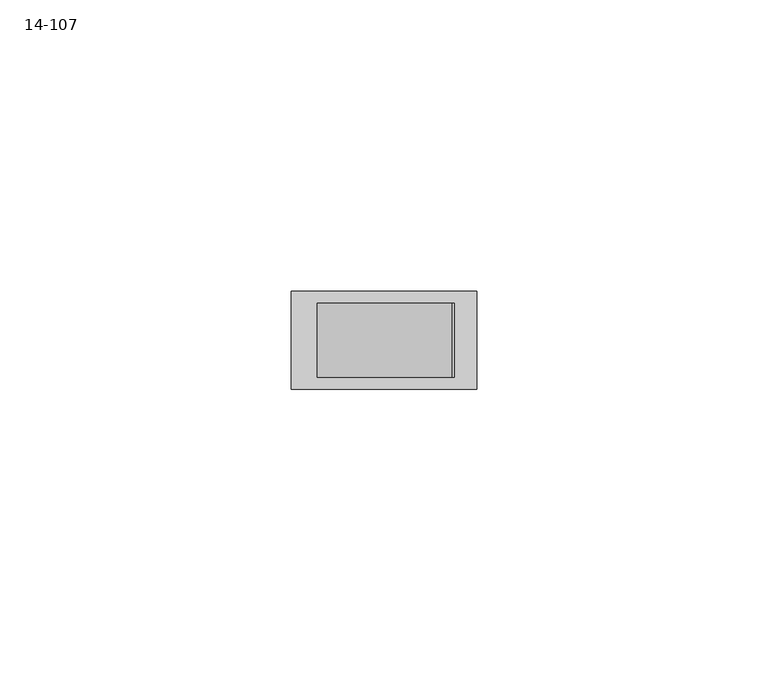
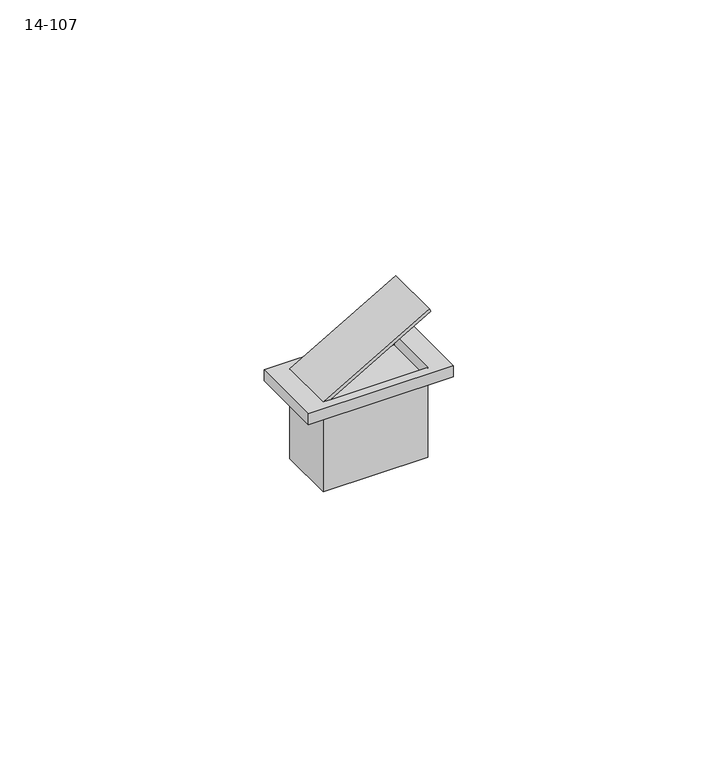
"""IFC4 building model written with IfcOpenShell, lengths in millimetres: proxy geometry, 14-107."""

import ifcopenshell
import ifcopenshell.guid

model = None  # the IFC model being written
_history = None  # IfcOwnerHistory: only IFC2X3 demands one
_inside = {}  # id of a spatial element -> (the spatial element, [elements in it])
_under = {}  # id of a project, library or spatial element -> (it, [spatial elements below it])
_declared = {}  # id of a project -> (the project, [libraries it declares])
_typed = {}  # id of a type object -> (the type object, [elements of that type])
_made_of = {}  # id of a material, layer set ... -> (it, [elements and type objects made of it])


def new_model(schema):
    """Start an empty IFC model of exactly this schema.

    Asked for "IFC4X3", IfcOpenShell would pick the latest addendum, in which some entities
    have other attributes; the version numbers below select the first issue.
    IFC2X3 requires an IfcOwnerHistory on every rooted entity: one is made here for all.
    """
    global model, _history
    if schema == "IFC4X3":
        model = ifcopenshell.file(schema_version=(4, 3, 0, 0))
    else:
        model = ifcopenshell.file(schema=schema)
    _inside.clear()
    _under.clear()
    _declared.clear()
    _typed.clear()
    _made_of.clear()
    _history = None
    if model.schema == "IFC2X3":
        org = make("IfcOrganization", Name="unknown")
        user = make(
            "IfcPersonAndOrganization",
            ThePerson=make("IfcPerson", FamilyName="unknown"),
            TheOrganization=org,
        )
        app = make(
            "IfcApplication",
            ApplicationDeveloper=org,
            Version="unknown",
            ApplicationFullName="unknown",
            ApplicationIdentifier="unknown",
        )
        _history = make(
            "IfcOwnerHistory",
            OwningUser=user,
            OwningApplication=app,
            ChangeAction="ADDED",
            CreationDate=0,
        )
    return model


def make(cls, **values):
    """One entity of the class cls with the attributes given. An attribute that is None is left unset."""
    return model.create_entity(
        cls, **{name: value for name, value in values.items() if value is not None}
    )


def rooted(cls, **values):
    """An entity with a GlobalId (a new one), such as an element, a storey or a relation."""
    return make(cls, GlobalId=ifcopenshell.guid.new(), OwnerHistory=_history, **values)


def si_unit(unit_type, name, prefix=None):
    """IfcSIUnit, for example si_unit("LENGTHUNIT", "METRE", prefix="MILLI")."""
    return make("IfcSIUnit", UnitType=unit_type, Prefix=prefix, Name=name)


def assignment(units):
    """IfcUnitAssignment: the units of a project."""
    return None if units is None else make("IfcUnitAssignment", Units=units)


def point(xyz):
    """IfcCartesianPoint."""
    return None if xyz is None else make("IfcCartesianPoint", Coordinates=xyz)


def direction(xyz):
    """IfcDirection."""
    return None if xyz is None else make("IfcDirection", DirectionRatios=xyz)


def frame(location, z_axis=None, x_axis=None):
    """IfcAxis2Placement3D, a coordinate frame: its origin and axes. An axis left out is left unset."""
    return make(
        "IfcAxis2Placement3D",
        Location=point(location),
        Axis=direction(z_axis),
        RefDirection=direction(x_axis),
    )


def origin():
    """The frame at (0, 0, 0) with its axes left unset."""
    return frame((0.0, 0.0, 0.0))


def origin_with_axes():
    """The frame at (0, 0, 0) with the z axis (0, 0, 1) and the x axis (1, 0, 0) written out."""
    return frame((0.0, 0.0, 0.0), z_axis=(0.0, 0.0, 1.0), x_axis=(1.0, 0.0, 0.0))


def place(relative_to, where):
    """IfcLocalPlacement: puts the frame where relative to a parent placement (None: the world)."""
    return make(
        "IfcLocalPlacement", PlacementRelTo=relative_to, RelativePlacement=where
    )


def context(
    kind, dimensions, precision=None, world=None, true_north=None, identifier=None
):
    """IfcGeometricRepresentationContext, for example the 3D "Model" context."""
    return make(
        "IfcGeometricRepresentationContext",
        ContextIdentifier=identifier,
        ContextType=kind,
        CoordinateSpaceDimension=dimensions,
        Precision=precision,
        WorldCoordinateSystem=world,
        TrueNorth=true_north,
    )


def project(units=None, contexts=None):
    """IfcProject with its units and contexts."""
    return rooted(
        "IfcProject",
        Name="project",
        RepresentationContexts=contexts,
        UnitsInContext=assignment(units),
    )


def spatial(cls, under=None, at=None, **own):
    """A site, building, storey or space (cls), placed at a placement, below another one or the project."""
    s = rooted(cls, ObjectPlacement=at, **own)
    if under is not None:
        _under.setdefault(under.id(), (under, []))[1].append(s)
    return s


def polyline(points):
    """IfcPolyline through the points."""
    return make("IfcPolyline", Points=[point(p) for p in points])


def outline(outer, holes=None, kind="AREA"):
    """IfcArbitraryClosedProfileDef: a profile drawn as a closed curve; with holes, ...WithVoids."""
    if holes is None:
        return make("IfcArbitraryClosedProfileDef", ProfileType=kind, OuterCurve=outer)
    return make(
        "IfcArbitraryProfileDefWithVoids",
        ProfileType=kind,
        OuterCurve=outer,
        InnerCurves=holes,
    )


def extrude(swept, where, along, depth):
    """IfcExtrudedAreaSolid: the profile swept, set in the frame where, extruded along a direction by depth."""
    return make(
        "IfcExtrudedAreaSolid",
        SweptArea=swept,
        Position=where,
        ExtrudedDirection=direction(along),
        Depth=depth,
    )


def faces_of(points, faces, orient=None, outer=None):
    """IfcFace entities. A face is a list of loops; a loop is a list of indices into points, from 0.

    orient and outer hold one flag for each loop. By default every Orientation is true, the
    first loop of a face is its IfcFaceOuterBound and the others are IfcFaceBound.
    """
    made = []
    for i, loops in enumerate(faces):
        bounds = []
        for j, loop in enumerate(loops):
            is_outer = j == 0 if outer is None else outer[i][j]
            bounds.append(
                make(
                    "IfcFaceOuterBound" if is_outer else "IfcFaceBound",
                    Bound=make("IfcPolyLoop", Polygon=[points[k] for k in loop]),
                    Orientation=True if orient is None else orient[i][j],
                )
            )
        made.append(make("IfcFace", Bounds=bounds))
    return made


def faceted_brep(points, faces, orient=None, outer=None, voids=None):
    """IfcFacetedBrep: a solid bounded by flat faces; with voids (closed shells), ...WithVoids."""
    shared = [point(p) for p in points]
    hull = make("IfcClosedShell", CfsFaces=faces_of(shared, faces, orient, outer))
    if voids is None:
        return make("IfcFacetedBrep", Outer=hull)
    return make(
        "IfcFacetedBrepWithVoids",
        Outer=hull,
        Voids=[
            make(cls, CfsFaces=faces_of(shared, fs, o, b)) for cls, fs, o, b in voids
        ],
    )


def shape(context_of_items, identifier, shape_type, items):
    """IfcShapeRepresentation: the items that make up one representation, for example the "Body"."""
    return make(
        "IfcShapeRepresentation",
        ContextOfItems=context_of_items,
        RepresentationIdentifier=identifier,
        RepresentationType=shape_type,
        Items=items,
    )


def source(mapping_origin, context_of_items, identifier, shape_type, items):
    """IfcRepresentationMap: a shape defined once, which mapped items show again and again."""
    return make(
        "IfcRepresentationMap",
        MappingOrigin=mapping_origin,
        MappedRepresentation=shape(context_of_items, identifier, shape_type, items),
    )


def transform(
    local_origin,
    x_axis=None,
    y_axis=None,
    z_axis=None,
    scale=None,
    scale2=None,
    scale3=None,
    uniform=True,
):
    """IfcCartesianTransformationOperator3D, or its non-uniform kind. x_axis, y_axis, z_axis: its Axis1, 2, 3."""
    if uniform:
        return make(
            "IfcCartesianTransformationOperator3D",
            Axis1=direction(x_axis),
            Axis2=direction(y_axis),
            LocalOrigin=point(local_origin),
            Scale=scale,
            Axis3=direction(z_axis),
        )
    return make(
        "IfcCartesianTransformationOperator3DnonUniform",
        Axis1=direction(x_axis),
        Axis2=direction(y_axis),
        LocalOrigin=point(local_origin),
        Scale=scale,
        Axis3=direction(z_axis),
        Scale2=scale2,
        Scale3=scale3,
    )


def mapped(mapping_source, mapping_target):
    """IfcMappedItem: shows the shape of a source again, moved by a transform."""
    return make(
        "IfcMappedItem", MappingSource=mapping_source, MappingTarget=mapping_target
    )


def made_of(thing, what):
    """Note that an element or type object is made of a material, layer set ...; save() writes the relation."""
    if what is not None:
        _made_of.setdefault(what.id(), (what, []))[1].append(thing)
    return thing


def element(
    cls,
    number,
    at=None,
    inside=None,
    cuts=None,
    type_object=None,
    material=None,
    context=None,
    identifier="Body",
    shape_type=None,
    held_by="IfcProductDefinitionShape",
    body=None,
    shapes=None,
    **own,
):
    """One element of the class cls, such as IfcWall. Its Tag is "e" and its number.

    at: its placement. inside: the storey or other place that contains it. cuts: it is an
    opening in that element (IfcRelVoidsElement). A single representation is given by context,
    identifier, shape_type and body (its items); several are given by shapes. held_by: the class
    of the entity that holds the representations. save() writes the other relations.
    """
    e = rooted(cls, Tag="e%d" % number, ObjectPlacement=at, **own)
    if body is not None:
        shapes = [shape(context, identifier, shape_type, body)]
    if shapes is not None:
        e.Representation = make(held_by, Representations=shapes)
    if inside is not None:
        _inside.setdefault(inside.id(), (inside, []))[1].append(e)
    if cuts is not None:
        rooted(
            "IfcRelVoidsElement", RelatingBuildingElement=cuts, RelatedOpeningElement=e
        )
    if type_object is not None:
        _typed.setdefault(type_object.id(), (type_object, []))[1].append(e)
    return made_of(e, material)


def aggregate(whole, parts):
    """IfcRelAggregates: a whole, such as a stair, and the parts it consists of."""
    return rooted("IfcRelAggregates", RelatingObject=whole, RelatedObjects=parts)


def save(model, path):
    """Write the relations noted so far, then the file.

    IfcRelAggregates (storeys below a building ...), IfcRelContainedInSpatialStructure (elements
    in a storey), IfcRelDefinesByType, IfcRelAssociatesMaterial and IfcRelDeclares: one each for
    every whole, place, type object, material and project.
    """
    for whole, parts in _under.values():
        aggregate(whole, parts)
    for where, things in _inside.values():
        rooted(
            "IfcRelContainedInSpatialStructure",
            RelatedElements=things,
            RelatingStructure=where,
        )
    for kind, things in _typed.values():
        rooted("IfcRelDefinesByType", RelatedObjects=things, RelatingType=kind)
    for what, things in _made_of.values():
        rooted("IfcRelAssociatesMaterial", RelatedObjects=things, RelatingMaterial=what)
    for by, libraries in _declared.values():
        rooted("IfcRelDeclares", RelatingContext=by, RelatedDefinitions=libraries)
    model.write(path)


def proxy_14_107_0a632e4a(model_context):
    return source(origin(), model_context, "Body", "SolidModel", [
        extrude(outline(polyline([(34.1879114, 23.1400453), (20.828, 0.0), (20.828, 1.524), (33.528, 23.5210453), (34.1879114, 23.1400453)])), frame((0.0, -12.7, 0.0), z_axis=(0.0, 1.0, 0.0), x_axis=(0.0, 0.0, 1.0)), (0.0, 0.0, 1.0), 12.7),
        faceted_brep([(1.524, -12.7, 20.828), (22.86, -12.7, 20.828), (22.86, -12.7, 18.288), (0.0, -12.7, 18.288), (0.0, -12.7, 20.828), (0.0, 0.0, 20.828), (0.0, 0.0, 18.288), (1.524, 0.0, 20.828), (22.86, 0.0, 18.288), (22.86, 0.0, 20.828), (27.305, 2.032, 20.828), (27.305, -14.732, 20.828), (27.305, -14.732, 18.288), (27.305, 2.032, 18.288), (-4.445, -14.732, 20.828), (-4.445, -14.732, 18.288), (-4.445, 2.032, 20.828), (-4.445, 2.032, 18.288)], [[[0, 1, 2, 3, 4]], [[5, 4, 3, 6]], [[7, 5, 6, 8, 9]], [[1, 9, 8, 2]], [[10, 11, 12, 13]], [[11, 14, 15, 12]], [[14, 16, 17, 15]], [[16, 10, 13, 17]], [[11, 10, 16, 14], [1, 0, 4, 5, 7, 9]], [[17, 13, 12, 15], [3, 2, 8, 6]]]),
        extrude(outline(polyline([(0.0, 0.0), (22.86, 0.0), (22.86, -12.7), (0.0, -12.7), (0.0, 0.0)])), origin_with_axes(), (0.0, 0.0, 1.0), 18.288),
    ])


if __name__ == "__main__":
    model = new_model("IFC4")
    model_context = context("Model", 3, world=origin())
    ifc_project = project(units=[si_unit("LENGTHUNIT", "METRE", prefix="MILLI")], contexts=[model_context])
    site = spatial("IfcSite", under=ifc_project)
    building = spatial("IfcBuilding", under=site)
    placement = place(None, origin())
    proxy_14_107_shape = proxy_14_107_0a632e4a(model_context)
    element("IfcBuildingElementProxy", 1, Name="14-107", ObjectType="14-107", at=placement, inside=building, context=model_context, shape_type="MappedRepresentation", body=[
        mapped(proxy_14_107_shape, transform((0.0, 0.0, 0.0), x_axis=(1.0, 0.0, 0.0), y_axis=(0.0, 1.0, 0.0), z_axis=(0.0, 0.0, 1.0))),
    ])
    save(model, "model.ifc")
